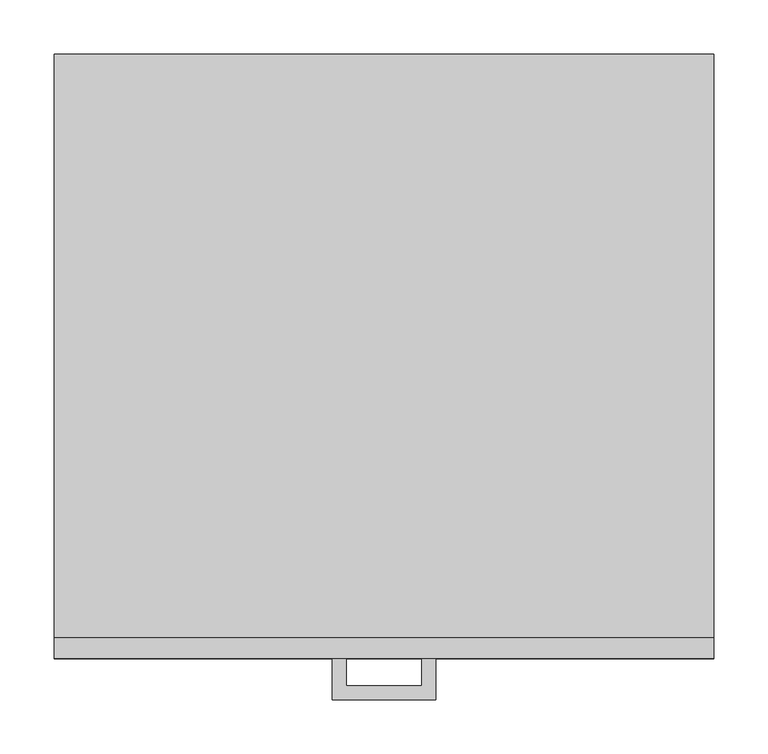
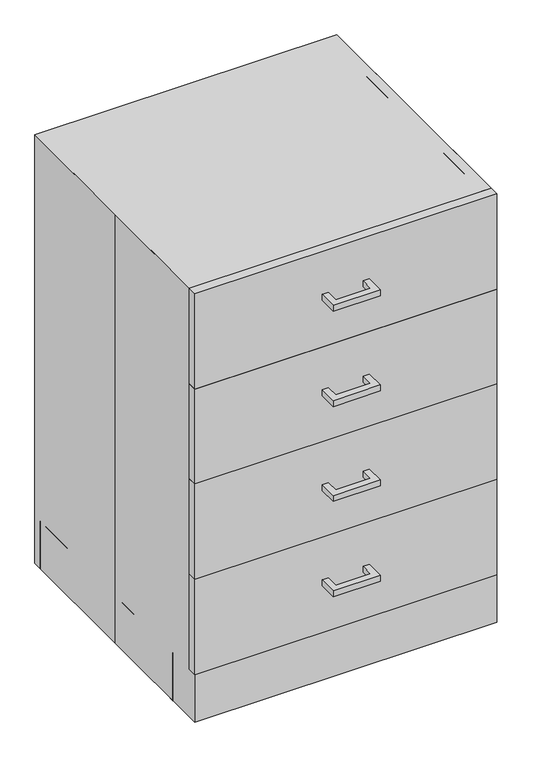
"""IFC4 building model written with IfcOpenShell, lengths in millimetres: proxy geometry."""

import ifcopenshell
import ifcopenshell.guid

model = None  # the IFC model being written
_history = None  # IfcOwnerHistory: only IFC2X3 demands one
_inside = {}  # id of a spatial element -> (the spatial element, [elements in it])
_under = {}  # id of a project, library or spatial element -> (it, [spatial elements below it])
_declared = {}  # id of a project -> (the project, [libraries it declares])
_typed = {}  # id of a type object -> (the type object, [elements of that type])
_made_of = {}  # id of a material, layer set ... -> (it, [elements and type objects made of it])


def new_model(schema):
    """Start an empty IFC model of exactly this schema.

    Asked for "IFC4X3", IfcOpenShell would pick the latest addendum, in which some entities
    have other attributes; the version numbers below select the first issue.
    IFC2X3 requires an IfcOwnerHistory on every rooted entity: one is made here for all.
    """
    global model, _history
    if schema == "IFC4X3":
        model = ifcopenshell.file(schema_version=(4, 3, 0, 0))
    else:
        model = ifcopenshell.file(schema=schema)
    _inside.clear()
    _under.clear()
    _declared.clear()
    _typed.clear()
    _made_of.clear()
    _history = None
    if model.schema == "IFC2X3":
        org = make("IfcOrganization", Name="unknown")
        user = make(
            "IfcPersonAndOrganization",
            ThePerson=make("IfcPerson", FamilyName="unknown"),
            TheOrganization=org,
        )
        app = make(
            "IfcApplication",
            ApplicationDeveloper=org,
            Version="unknown",
            ApplicationFullName="unknown",
            ApplicationIdentifier="unknown",
        )
        _history = make(
            "IfcOwnerHistory",
            OwningUser=user,
            OwningApplication=app,
            ChangeAction="ADDED",
            CreationDate=0,
        )
    return model


def make(cls, **values):
    """One entity of the class cls with the attributes given. An attribute that is None is left unset."""
    return model.create_entity(
        cls, **{name: value for name, value in values.items() if value is not None}
    )


def rooted(cls, **values):
    """An entity with a GlobalId (a new one), such as an element, a storey or a relation."""
    return make(cls, GlobalId=ifcopenshell.guid.new(), OwnerHistory=_history, **values)


def si_unit(unit_type, name, prefix=None):
    """IfcSIUnit, for example si_unit("LENGTHUNIT", "METRE", prefix="MILLI")."""
    return make("IfcSIUnit", UnitType=unit_type, Prefix=prefix, Name=name)


def assignment(units):
    """IfcUnitAssignment: the units of a project."""
    return None if units is None else make("IfcUnitAssignment", Units=units)


def point(xyz):
    """IfcCartesianPoint."""
    return None if xyz is None else make("IfcCartesianPoint", Coordinates=xyz)


def direction(xyz):
    """IfcDirection."""
    return None if xyz is None else make("IfcDirection", DirectionRatios=xyz)


def frame(location, z_axis=None, x_axis=None):
    """IfcAxis2Placement3D, a coordinate frame: its origin and axes. An axis left out is left unset."""
    return make(
        "IfcAxis2Placement3D",
        Location=point(location),
        Axis=direction(z_axis),
        RefDirection=direction(x_axis),
    )


def origin():
    """The frame at (0, 0, 0) with its axes left unset."""
    return frame((0.0, 0.0, 0.0))


def origin_with_axes():
    """The frame at (0, 0, 0) with the z axis (0, 0, 1) and the x axis (1, 0, 0) written out."""
    return frame((0.0, 0.0, 0.0), z_axis=(0.0, 0.0, 1.0), x_axis=(1.0, 0.0, 0.0))


def place(relative_to, where):
    """IfcLocalPlacement: puts the frame where relative to a parent placement (None: the world)."""
    return make(
        "IfcLocalPlacement", PlacementRelTo=relative_to, RelativePlacement=where
    )


def context(
    kind, dimensions, precision=None, world=None, true_north=None, identifier=None
):
    """IfcGeometricRepresentationContext, for example the 3D "Model" context."""
    return make(
        "IfcGeometricRepresentationContext",
        ContextIdentifier=identifier,
        ContextType=kind,
        CoordinateSpaceDimension=dimensions,
        Precision=precision,
        WorldCoordinateSystem=world,
        TrueNorth=true_north,
    )


def project(units=None, contexts=None):
    """IfcProject with its units and contexts."""
    return rooted(
        "IfcProject",
        Name="project",
        RepresentationContexts=contexts,
        UnitsInContext=assignment(units),
    )


def spatial(cls, under=None, at=None, **own):
    """A site, building, storey or space (cls), placed at a placement, below another one or the project."""
    s = rooted(cls, ObjectPlacement=at, **own)
    if under is not None:
        _under.setdefault(under.id(), (under, []))[1].append(s)
    return s


def polyline(points):
    """IfcPolyline through the points."""
    return make("IfcPolyline", Points=[point(p) for p in points])


def outline(outer, holes=None, kind="AREA"):
    """IfcArbitraryClosedProfileDef: a profile drawn as a closed curve; with holes, ...WithVoids."""
    if holes is None:
        return make("IfcArbitraryClosedProfileDef", ProfileType=kind, OuterCurve=outer)
    return make(
        "IfcArbitraryProfileDefWithVoids",
        ProfileType=kind,
        OuterCurve=outer,
        InnerCurves=holes,
    )


def extrude(swept, where, along, depth):
    """IfcExtrudedAreaSolid: the profile swept, set in the frame where, extruded along a direction by depth."""
    return make(
        "IfcExtrudedAreaSolid",
        SweptArea=swept,
        Position=where,
        ExtrudedDirection=direction(along),
        Depth=depth,
    )


def shape(context_of_items, identifier, shape_type, items):
    """IfcShapeRepresentation: the items that make up one representation, for example the "Body"."""
    return make(
        "IfcShapeRepresentation",
        ContextOfItems=context_of_items,
        RepresentationIdentifier=identifier,
        RepresentationType=shape_type,
        Items=items,
    )


def source(mapping_origin, context_of_items, identifier, shape_type, items):
    """IfcRepresentationMap: a shape defined once, which mapped items show again and again."""
    return make(
        "IfcRepresentationMap",
        MappingOrigin=mapping_origin,
        MappedRepresentation=shape(context_of_items, identifier, shape_type, items),
    )


def transform(
    local_origin,
    x_axis=None,
    y_axis=None,
    z_axis=None,
    scale=None,
    scale2=None,
    scale3=None,
    uniform=True,
):
    """IfcCartesianTransformationOperator3D, or its non-uniform kind. x_axis, y_axis, z_axis: its Axis1, 2, 3."""
    if uniform:
        return make(
            "IfcCartesianTransformationOperator3D",
            Axis1=direction(x_axis),
            Axis2=direction(y_axis),
            LocalOrigin=point(local_origin),
            Scale=scale,
            Axis3=direction(z_axis),
        )
    return make(
        "IfcCartesianTransformationOperator3DnonUniform",
        Axis1=direction(x_axis),
        Axis2=direction(y_axis),
        LocalOrigin=point(local_origin),
        Scale=scale,
        Axis3=direction(z_axis),
        Scale2=scale2,
        Scale3=scale3,
    )


def mapped(mapping_source, mapping_target):
    """IfcMappedItem: shows the shape of a source again, moved by a transform."""
    return make(
        "IfcMappedItem", MappingSource=mapping_source, MappingTarget=mapping_target
    )


def made_of(thing, what):
    """Note that an element or type object is made of a material, layer set ...; save() writes the relation."""
    if what is not None:
        _made_of.setdefault(what.id(), (what, []))[1].append(thing)
    return thing


def element(
    cls,
    number,
    at=None,
    inside=None,
    cuts=None,
    type_object=None,
    material=None,
    context=None,
    identifier="Body",
    shape_type=None,
    held_by="IfcProductDefinitionShape",
    body=None,
    shapes=None,
    **own,
):
    """One element of the class cls, such as IfcWall. Its Tag is "e" and its number.

    at: its placement. inside: the storey or other place that contains it. cuts: it is an
    opening in that element (IfcRelVoidsElement). A single representation is given by context,
    identifier, shape_type and body (its items); several are given by shapes. held_by: the class
    of the entity that holds the representations. save() writes the other relations.
    """
    e = rooted(cls, Tag="e%d" % number, ObjectPlacement=at, **own)
    if body is not None:
        shapes = [shape(context, identifier, shape_type, body)]
    if shapes is not None:
        e.Representation = make(held_by, Representations=shapes)
    if inside is not None:
        _inside.setdefault(inside.id(), (inside, []))[1].append(e)
    if cuts is not None:
        rooted(
            "IfcRelVoidsElement", RelatingBuildingElement=cuts, RelatedOpeningElement=e
        )
    if type_object is not None:
        _typed.setdefault(type_object.id(), (type_object, []))[1].append(e)
    return made_of(e, material)


def aggregate(whole, parts):
    """IfcRelAggregates: a whole, such as a stair, and the parts it consists of."""
    return rooted("IfcRelAggregates", RelatingObject=whole, RelatedObjects=parts)


def save(model, path):
    """Write the relations noted so far, then the file.

    IfcRelAggregates (storeys below a building ...), IfcRelContainedInSpatialStructure (elements
    in a storey), IfcRelDefinesByType, IfcRelAssociatesMaterial and IfcRelDeclares: one each for
    every whole, place, type object, material and project.
    """
    for whole, parts in _under.values():
        aggregate(whole, parts)
    for where, things in _inside.values():
        rooted(
            "IfcRelContainedInSpatialStructure",
            RelatedElements=things,
            RelatingStructure=where,
        )
    for kind, things in _typed.values():
        rooted("IfcRelDefinesByType", RelatedObjects=things, RelatingType=kind)
    for what, things in _made_of.values():
        rooted("IfcRelAssociatesMaterial", RelatedObjects=things, RelatingMaterial=what)
    for by, libraries in _declared.values():
        rooted("IfcRelDeclares", RelatingContext=by, RelatedDefinitions=libraries)
    model.write(path)


def specialty_equipment_bec09880(model_context):
    return source(origin(), model_context, "Body", "SweptSolid", [
        extrude(outline(polyline([(47.625, -317.5), (-47.625, -317.5), (-47.625, -279.4), (-34.9409299, -279.4), (-34.9409299, -304.8159299), (34.9409299, -304.8159299), (34.9409299, -279.4), (47.625, -279.4), (47.625, -317.5)])), frame((0.0, 0.0, 200.8636019), z_axis=(0.0, 0.0, 1.0), x_axis=(1.0, 0.0, 0.0)), (0.0, 0.0, 1.0), 12.7),
        extrude(outline(polyline([(47.625, -317.5), (-47.625, -317.5), (-47.625, -279.4), (-34.9409299, -279.4), (-34.9409299, -304.8159299), (34.9409299, -304.8159299), (34.9409299, -279.4), (47.625, -279.4), (47.625, -317.5)])), frame((0.0, 0.0, 404.2262088), z_axis=(0.0, 0.0, 1.0), x_axis=(1.0, 0.0, 0.0)), (0.0, 0.0, 1.0), 12.7),
        extrude(outline(polyline([(47.625, -317.5), (-47.625, -317.5), (-47.625, -279.4), (-34.9409299, -279.4), (-34.9409299, -304.8159299), (34.9409299, -304.8159299), (34.9409299, -279.4), (47.625, -279.4), (47.625, -317.5)])), frame((0.0, 0.0, 606.8315172), z_axis=(0.0, 0.0, 1.0), x_axis=(1.0, 0.0, 0.0)), (0.0, 0.0, 1.0), 12.7),
        extrude(outline(polyline([(47.625, -317.5), (-47.625, -317.5), (-47.625, -279.4), (-34.9409299, -279.4), (-34.9409299, -304.8159299), (34.9409299, -304.8159299), (34.9409299, -279.4), (47.625, -279.4), (47.625, -317.5)])), frame((0.0, 0.0, 810.194124), z_axis=(0.0, 0.0, 1.0), x_axis=(1.0, 0.0, 0.0)), (0.0, 0.0, 1.0), 12.7),
        extrude(outline(polyline([(304.8, -279.4), (-304.8, -279.4), (-304.8, -260.35), (304.8, -260.35), (304.8, -279.4)])), frame((0.0, 0.0, 711.0373931), z_axis=(0.0, 0.0, 1.0), x_axis=(1.0, 0.0, 0.0)), (0.0, 0.0, 1.0), 203.3626069),
        extrude(outline(polyline([(304.8, -279.4), (-304.8, -279.4), (-304.8, -260.35), (304.8, -260.35), (304.8, -279.4)])), frame((0.0, 0.0, 508.4320848), z_axis=(0.0, 0.0, 1.0), x_axis=(1.0, 0.0, 0.0)), (0.0, 0.0, 1.0), 202.6053084),
        extrude(outline(polyline([(304.8, -279.4), (-304.8, -279.4), (-304.8, -260.35), (304.8, -260.35), (304.8, -279.4)])), frame((0.0, 0.0, 305.0694779), z_axis=(0.0, 0.0, 1.0), x_axis=(1.0, 0.0, 0.0)), (0.0, 0.0, 1.0), 203.3626069),
        extrude(outline(polyline([(304.8, -279.4), (-304.8, -279.4), (-304.8, -260.35), (304.8, -260.35), (304.8, -279.4)])), frame((0.0, 0.0, 101.6), z_axis=(0.0, 0.0, 1.0), x_axis=(1.0, 0.0, 0.0)), (0.0, 0.0, 1.0), 203.4694779),
        extrude(outline(polyline([(-304.8, 279.4), (304.8, 279.4), (304.8, -279.4), (-304.8, -279.4), (-304.8, 0.0), (-304.8, 279.4)])), origin_with_axes(), (0.0, 0.0, 1.0), 914.4),
        extrude(outline(polyline([(-304.8, -260.35), (-304.8, 279.4), (-285.75, 279.4), (-285.75, -260.35), (-304.8, -260.35)])), frame((0.0, 0.0, 101.6), z_axis=(0.0, 0.0, 1.0), x_axis=(1.0, 0.0, 0.0)), (0.0, 0.0, 1.0), 812.8),
        extrude(outline(polyline([(285.75, -260.35), (285.75, 279.4), (304.8, 279.4), (304.8, -260.35), (285.75, -260.35)])), frame((0.0, 0.0, 101.6), z_axis=(0.0, 0.0, 1.0), x_axis=(1.0, 0.0, 0.0)), (0.0, 0.0, 1.0), 812.8),
        extrude(outline(polyline([(304.8, -203.2), (-304.8, -203.2), (-304.8, -184.15), (304.8, -184.15), (304.8, -203.2)])), origin_with_axes(), (0.0, 0.0, 1.0), 101.6),
        extrude(outline(polyline([(-304.8, -184.15), (-304.8, 279.4), (-285.75, 279.4), (-285.75, -184.15), (-304.8, -184.15)])), origin_with_axes(), (0.0, 0.0, 1.0), 101.6),
        extrude(outline(polyline([(285.75, -184.15), (285.75, 279.4), (304.8, 279.4), (304.8, -184.15), (285.75, -184.15)])), origin_with_axes(), (0.0, 0.0, 1.0), 101.6),
        extrude(outline(polyline([(304.8, 260.35), (-304.8, 260.35), (-304.8, 279.4), (304.8, 279.4), (304.8, 260.35)])), origin_with_axes(), (0.0, 0.0, 1.0), 101.6),
        extrude(outline(polyline([(285.75, 260.35), (285.75, -260.35), (-285.75, -260.35), (-285.75, 260.35), (285.75, 260.35)])), frame((0.0, 0.0, 101.6), z_axis=(0.0, 0.0, 1.0), x_axis=(1.0, 0.0, 0.0)), (0.0, 0.0, 1.0), 19.1166954),
        extrude(outline(polyline([(285.75, 260.35), (-285.75, 260.35), (-285.75, 279.4), (285.75, 279.4), (285.75, 260.35)])), frame((0.0, 0.0, 101.6), z_axis=(0.0, 0.0, 1.0), x_axis=(1.0, 0.0, 0.0)), (0.0, 0.0, 1.0), 793.7174767),
    ])


if __name__ == "__main__":
    model = new_model("IFC4")
    model_context = context("Model", 3, world=origin())
    ifc_project = project(units=[si_unit("LENGTHUNIT", "METRE", prefix="MILLI")], contexts=[model_context])
    site = spatial("IfcSite", under=ifc_project)
    building = spatial("IfcBuilding", under=site)
    placement = place(None, origin())
    specialty_equipment_shape = specialty_equipment_bec09880(model_context)
    element("IfcBuildingElementProxy", 1, Name="Specialty Equipment", at=placement, inside=building, context=model_context, shape_type="MappedRepresentation", body=[
        mapped(specialty_equipment_shape, transform((0.0, 0.0, 0.0), x_axis=(1.0, 0.0, 0.0), y_axis=(0.0, 1.0, 0.0), z_axis=(0.0, 0.0, 1.0))),
    ])
    save(model, "model.ifc")
